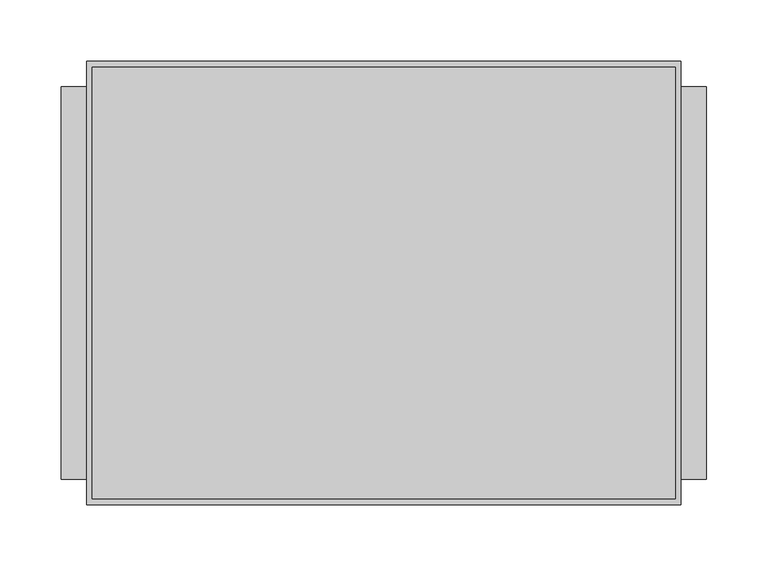
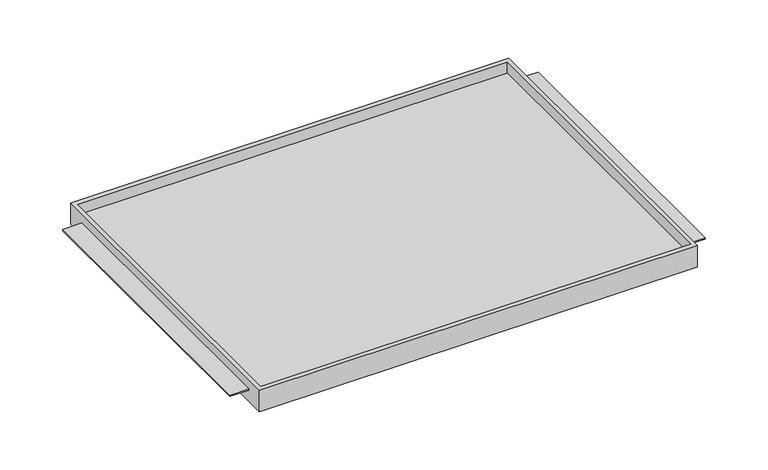
"""IFC4 building model written with IfcOpenShell, lengths in millimetres: furniture geometry."""

from ifc_helpers import new_model, si_unit, origin, place, context, project, spatial, faceted_brep, source, transform, mapped, element, save


def furniture_f7bf8529(model_context):
    return source(origin(), model_context, "Body", "Brep", [
        faceted_brep([(-242.7689646, -180.975, 1308.0111), (242.7689646, -180.975, 1308.0111), (242.7689646, -180.975, 1333.4111), (-242.7689646, -180.975, 1333.4111), (-242.7689646, 180.975, 1308.0111), (-242.7689646, 180.975, 1333.4111), (242.7689646, 180.975, 1333.4111), (242.7689646, 180.975, 1308.0111), (242.7689646, -160.3374879, 1322.3113), (242.7689646, 160.3374879, 1322.3113), (242.7689646, 160.3374879, 1320.7111), (242.7689646, -160.3374879, 1320.7111), (238.125, -176.2125, 1333.4111), (-238.125, -176.2125, 1333.4111), (-238.125, 175.91278, 1333.4111), (238.125, 175.91278, 1333.4111), (-242.7689646, 160.3374879, 1322.3113), (-242.7689646, -160.3374879, 1322.3113), (-242.7689646, -160.3374879, 1320.7111), (-242.7689646, 160.3374879, 1320.7111), (-238.125, -176.2125, 1320.7111), (238.125, -176.2125, 1320.7111), (238.125, 175.91278, 1320.7111), (-238.125, 175.91278, 1320.7111), (-263.525, 160.3374879, 1322.3113), (-263.525, -160.3374879, 1322.3113), (263.525, -160.3374879, 1322.3113), (263.525, 160.3374879, 1322.3113), (-263.525, -160.3374879, 1320.7111), (-263.525, 160.3374879, 1320.7111), (263.525, -160.3374879, 1320.7111), (263.525, 160.3374879, 1320.7111)], [[[0, 1, 2, 3]], [[4, 5, 6, 7]], [[1, 0, 4, 7]], [[2, 1, 7, 6], [8, 9, 10, 11]], [[3, 2, 6, 5], [12, 13, 14, 15]], [[0, 3, 5, 4], [16, 17, 18, 19]], [[20, 21, 22, 23]], [[21, 20, 13, 12]], [[22, 21, 12, 15]], [[23, 22, 15, 14]], [[20, 23, 14, 13]], [[16, 24, 25, 17]], [[26, 27, 9, 8]], [[18, 28, 29, 19]], [[30, 11, 10, 31]], [[24, 16, 19, 29]], [[25, 24, 29, 28]], [[17, 25, 28, 18]], [[27, 26, 30, 31]], [[9, 27, 31, 10]], [[26, 8, 11, 30]]]),
    ])


if __name__ == "__main__":
    model = new_model("IFC4")
    model_context = context("Model", 3, world=origin())
    ifc_project = project(units=[si_unit("LENGTHUNIT", "METRE", prefix="MILLI")], contexts=[model_context])
    site = spatial("IfcSite", under=ifc_project)
    building = spatial("IfcBuilding", under=site)
    placement = place(None, origin())
    furniture_shape = furniture_f7bf8529(model_context)
    element("IfcFurniture", 1, at=placement, inside=building, context=model_context, shape_type="MappedRepresentation", body=[
        mapped(furniture_shape, transform((0.0, 0.0, 0.0), x_axis=(1.0, 0.0, 0.0), y_axis=(0.0, 1.0, 0.0), z_axis=(0.0, 0.0, 1.0))),
    ])
    save(model, "model.ifc")
